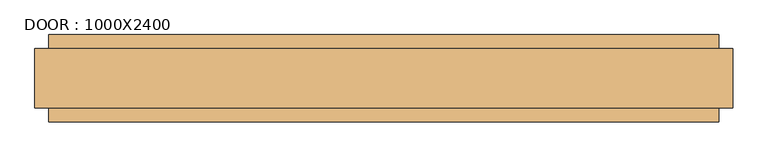
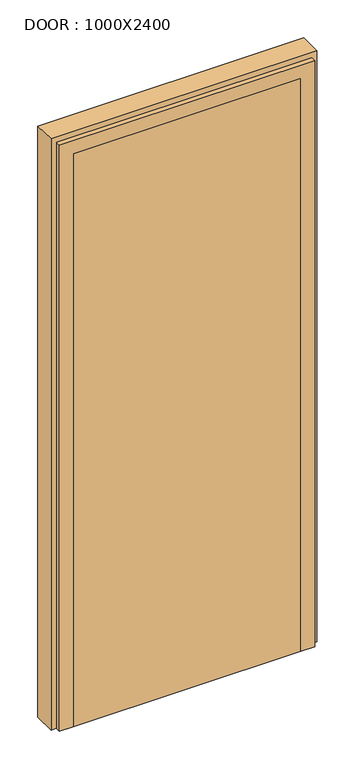
"""IFC4 building model written with IfcOpenShell, lengths in millimetres: door geometry, DOOR : 1000X2400."""

from ifc_helpers import new_model, si_unit, frame, origin, place, context, project, spatial, polyline, outline, extrude, faceted_brep, source, transform, mapped, element, save


def door_1000x2400_8785a6ed(model_context):
    return source(origin(), model_context, "Body", "SolidModel", [
        faceted_brep([(343.0, -50.0, 50.0), (343.0, -5.0, 50.0), (330.0, -5.0, 50.0), (330.0, 75.0, 50.0), (395.0, 75.0, 50.0), (395.0, 55.0, 50.0), (415.0, 55.0, 50.0), (415.0, -30.0, 50.0), (395.0, -30.0, 50.0), (395.0, -50.0, 50.0), (343.0, -50.0, 2328.0), (343.0, -5.0, 2328.0), (-513.0, -5.0, 2328.0), (-513.0, -5.0, 50.0), (-500.0, -5.0, 50.0), (-500.0, -5.0, 2315.0), (330.0, -5.0, 2315.0), (330.0, 75.0, 2315.0), (-500.0, 75.0, 2315.0), (-500.0, 75.0, 50.0), (-565.0, 75.0, 50.0), (-565.0, 75.0, 2380.0), (395.0, 75.0, 2380.0), (395.0, 55.0, 2380.0), (-565.0, 55.0, 2380.0), (-565.0, 55.0, 50.0), (-585.0, 55.0, 50.0), (-585.0, 55.0, 2400.0), (415.0, 55.0, 2400.0), (415.0, -30.0, 2400.0), (-585.0, -30.0, 2400.0), (-585.0, -30.0, 50.0), (-565.0, -30.0, 50.0), (-565.0, -30.0, 2380.0), (395.0, -30.0, 2380.0), (395.0, -50.0, 2380.0), (-565.0, -50.0, 2380.0), (-565.0, -50.0, 50.0), (-513.0, -50.0, 50.0), (-513.0, -50.0, 2328.0)], [[[0, 1, 2, 3, 4, 5, 6, 7, 8, 9]], [[1, 0, 10, 11]], [[2, 1, 11, 12, 13, 14, 15, 16]], [[3, 2, 16, 17]], [[4, 3, 17, 18, 19, 20, 21, 22]], [[5, 4, 22, 23]], [[6, 5, 23, 24, 25, 26, 27, 28]], [[7, 6, 28, 29]], [[8, 7, 29, 30, 31, 32, 33, 34]], [[9, 8, 34, 35]], [[0, 9, 35, 36, 37, 38, 39, 10]], [[12, 39, 38, 13]], [[38, 37, 32, 31, 26, 25, 20, 19, 14, 13]], [[18, 15, 14, 19]], [[24, 21, 20, 25]], [[30, 27, 26, 31]], [[36, 33, 32, 37]], [[11, 10, 39, 12]], [[17, 16, 15, 18]], [[23, 22, 21, 24]], [[29, 28, 27, 30]], [[35, 34, 33, 36]]]),
        extrude(outline(polyline([(343.0, -50.0), (-513.0, -50.0), (-513.0, -5.0), (343.0, -5.0), (343.0, -50.0)])), frame((0.0, 0.0, 50.0), z_axis=(0.0, 0.0, 1.0), x_axis=(1.0, 0.0, 0.0)), (0.0, 0.0, 1.0), 2278.0),
    ])


if __name__ == "__main__":
    model = new_model("IFC4")
    model_context = context("Model", 3, world=origin())
    ifc_project = project(units=[si_unit("LENGTHUNIT", "METRE", prefix="MILLI")], contexts=[model_context])
    site = spatial("IfcSite", under=ifc_project)
    building = spatial("IfcBuilding", under=site)
    placement = place(None, origin())
    door_1000x2400_shape = door_1000x2400_8785a6ed(model_context)
    element("IfcDoor", 1, ObjectType="DOOR : 1000X2400", at=placement, inside=building, context=model_context, shape_type="MappedRepresentation", body=[
        mapped(door_1000x2400_shape, transform((0.0, 0.0, 0.0), x_axis=(1.0, 0.0, 0.0), y_axis=(0.0, 1.0, 0.0), z_axis=(0.0, 0.0, 1.0))),
    ])
    save(model, "model.ifc")
